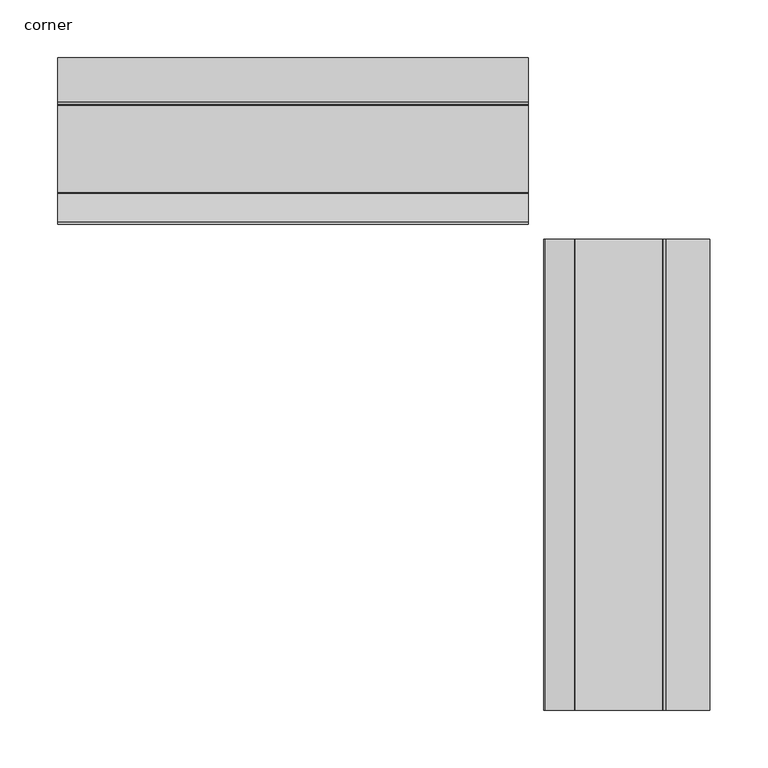
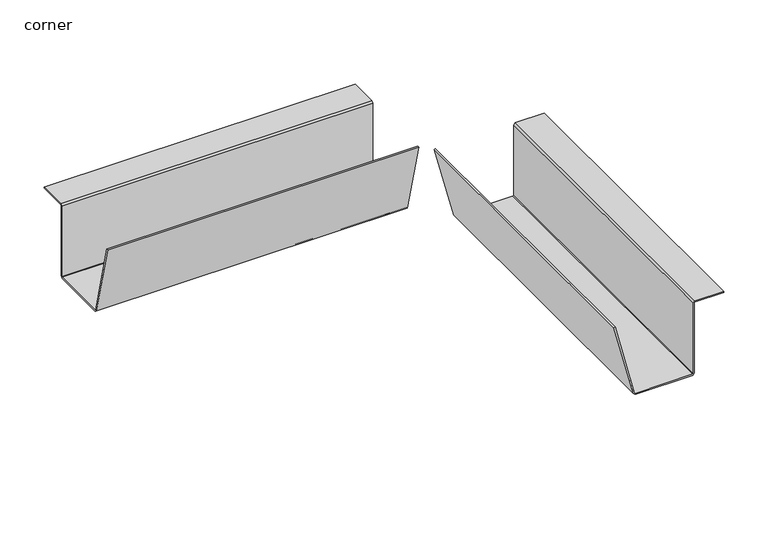
"""IFC4 building model written with IfcOpenShell, lengths in millimetres: furniture geometry, corner."""

from ifc_helpers import new_model, si_unit, frame, origin, place, context, project, spatial, polyline, outline, extrude, source, transform, mapped, element, save


def corner_59974f11(model_context):
    return source(origin(), model_context, "Body", "SweptSolid", [
        extrude(outline(polyline([(502.524014, 508.4195459), (402.6694985, 533.7271603), (400.9240019, 535.9702283), (400.9240019, 611.105504), (403.2379958, 613.4195343), (500.2099837, 613.4195343), (501.0000154, 614.2095297), (501.0000154, 651.8955288), (502.524014, 651.8955288), (502.524014, 614.2095297), (500.2099837, 611.8954994), (403.2379958, 611.8954994), (402.4480004, 611.105504), (402.4480004, 535.9702283), (403.0439306, 535.204432), (502.8984225, 509.8968237), (502.524014, 508.4195459)])), frame((0.0, -737.7742258, 0.0), z_axis=(0.0, 1.0, 0.0), x_axis=(0.0, 0.0, 1.0)), (0.0, 0.0, 1.0), 406.4003755),
        extrude(outline(polyline([(-316.7585724, 502.8984097), (-291.4505128, 403.0435825), (-290.6851639, 402.4480004), (-215.54987, 402.4480004), (-214.7598564, 403.2379958), (-214.7598564, 500.2099837), (-212.4458625, 502.524014), (-174.7598634, 502.524014), (-174.7598634, 501.0000154), (-212.4458625, 501.0000154), (-213.2358579, 500.2099837), (-213.2358579, 403.2379958), (-215.54987, 400.9240019), (-290.6851639, 400.9240019), (-292.9284047, 402.6696189), (-318.2358805, 502.524014), (-316.7585724, 502.8984097)])), frame((89.1499999, 0.0, 0.0), z_axis=(1.0, 0.0, 0.0), x_axis=(0.0, 1.0, 0.0)), (0.0, 0.0, 1.0), 406.146),
    ])


if __name__ == "__main__":
    model = new_model("IFC4")
    model_context = context("Model", 3, world=origin())
    ifc_project = project(units=[si_unit("LENGTHUNIT", "METRE", prefix="MILLI")], contexts=[model_context])
    site = spatial("IfcSite", under=ifc_project)
    building = spatial("IfcBuilding", under=site)
    placement = place(None, origin())
    corner_shape = corner_59974f11(model_context)
    element("IfcFurniture", 1, ObjectType="corner", at=placement, inside=building, context=model_context, shape_type="MappedRepresentation", body=[
        mapped(corner_shape, transform((0.0, 0.0, 0.0), x_axis=(1.0, 0.0, 0.0), y_axis=(0.0, 1.0, 0.0), z_axis=(0.0, 0.0, 1.0))),
    ])
    save(model, "model.ifc")
